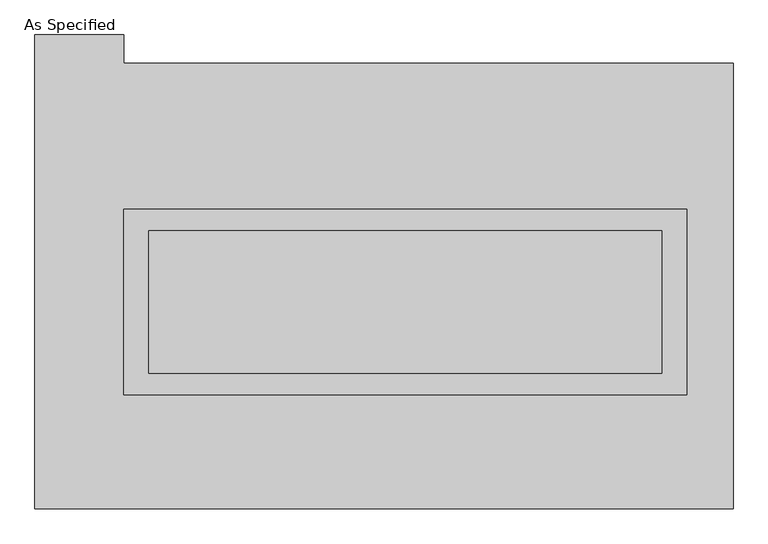
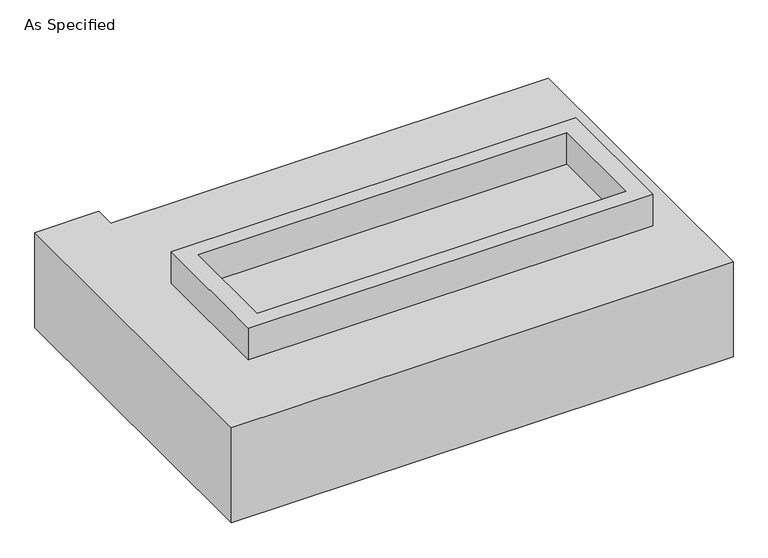
"""IFC4 building model written with IfcOpenShell, lengths in millimetres: proxy geometry, As Specified."""

import ifcopenshell
import ifcopenshell.guid

model = None  # the IFC model being written
_history = None  # IfcOwnerHistory: only IFC2X3 demands one
_inside = {}  # id of a spatial element -> (the spatial element, [elements in it])
_under = {}  # id of a project, library or spatial element -> (it, [spatial elements below it])
_declared = {}  # id of a project -> (the project, [libraries it declares])
_typed = {}  # id of a type object -> (the type object, [elements of that type])
_made_of = {}  # id of a material, layer set ... -> (it, [elements and type objects made of it])


def new_model(schema):
    """Start an empty IFC model of exactly this schema.

    Asked for "IFC4X3", IfcOpenShell would pick the latest addendum, in which some entities
    have other attributes; the version numbers below select the first issue.
    IFC2X3 requires an IfcOwnerHistory on every rooted entity: one is made here for all.
    """
    global model, _history
    if schema == "IFC4X3":
        model = ifcopenshell.file(schema_version=(4, 3, 0, 0))
    else:
        model = ifcopenshell.file(schema=schema)
    _inside.clear()
    _under.clear()
    _declared.clear()
    _typed.clear()
    _made_of.clear()
    _history = None
    if model.schema == "IFC2X3":
        org = make("IfcOrganization", Name="unknown")
        user = make(
            "IfcPersonAndOrganization",
            ThePerson=make("IfcPerson", FamilyName="unknown"),
            TheOrganization=org,
        )
        app = make(
            "IfcApplication",
            ApplicationDeveloper=org,
            Version="unknown",
            ApplicationFullName="unknown",
            ApplicationIdentifier="unknown",
        )
        _history = make(
            "IfcOwnerHistory",
            OwningUser=user,
            OwningApplication=app,
            ChangeAction="ADDED",
            CreationDate=0,
        )
    return model


def make(cls, **values):
    """One entity of the class cls with the attributes given. An attribute that is None is left unset."""
    return model.create_entity(
        cls, **{name: value for name, value in values.items() if value is not None}
    )


def rooted(cls, **values):
    """An entity with a GlobalId (a new one), such as an element, a storey or a relation."""
    return make(cls, GlobalId=ifcopenshell.guid.new(), OwnerHistory=_history, **values)


def si_unit(unit_type, name, prefix=None):
    """IfcSIUnit, for example si_unit("LENGTHUNIT", "METRE", prefix="MILLI")."""
    return make("IfcSIUnit", UnitType=unit_type, Prefix=prefix, Name=name)


def assignment(units):
    """IfcUnitAssignment: the units of a project."""
    return None if units is None else make("IfcUnitAssignment", Units=units)


def point(xyz):
    """IfcCartesianPoint."""
    return None if xyz is None else make("IfcCartesianPoint", Coordinates=xyz)


def direction(xyz):
    """IfcDirection."""
    return None if xyz is None else make("IfcDirection", DirectionRatios=xyz)


def frame(location, z_axis=None, x_axis=None):
    """IfcAxis2Placement3D, a coordinate frame: its origin and axes. An axis left out is left unset."""
    return make(
        "IfcAxis2Placement3D",
        Location=point(location),
        Axis=direction(z_axis),
        RefDirection=direction(x_axis),
    )


def origin():
    """The frame at (0, 0, 0) with its axes left unset."""
    return frame((0.0, 0.0, 0.0))


def place(relative_to, where):
    """IfcLocalPlacement: puts the frame where relative to a parent placement (None: the world)."""
    return make(
        "IfcLocalPlacement", PlacementRelTo=relative_to, RelativePlacement=where
    )


def context(
    kind, dimensions, precision=None, world=None, true_north=None, identifier=None
):
    """IfcGeometricRepresentationContext, for example the 3D "Model" context."""
    return make(
        "IfcGeometricRepresentationContext",
        ContextIdentifier=identifier,
        ContextType=kind,
        CoordinateSpaceDimension=dimensions,
        Precision=precision,
        WorldCoordinateSystem=world,
        TrueNorth=true_north,
    )


def project(units=None, contexts=None):
    """IfcProject with its units and contexts."""
    return rooted(
        "IfcProject",
        Name="project",
        RepresentationContexts=contexts,
        UnitsInContext=assignment(units),
    )


def spatial(cls, under=None, at=None, **own):
    """A site, building, storey or space (cls), placed at a placement, below another one or the project."""
    s = rooted(cls, ObjectPlacement=at, **own)
    if under is not None:
        _under.setdefault(under.id(), (under, []))[1].append(s)
    return s


def polyline(points):
    """IfcPolyline through the points."""
    return make("IfcPolyline", Points=[point(p) for p in points])


def outline(outer, holes=None, kind="AREA"):
    """IfcArbitraryClosedProfileDef: a profile drawn as a closed curve; with holes, ...WithVoids."""
    if holes is None:
        return make("IfcArbitraryClosedProfileDef", ProfileType=kind, OuterCurve=outer)
    return make(
        "IfcArbitraryProfileDefWithVoids",
        ProfileType=kind,
        OuterCurve=outer,
        InnerCurves=holes,
    )


def extrude(swept, where, along, depth):
    """IfcExtrudedAreaSolid: the profile swept, set in the frame where, extruded along a direction by depth."""
    return make(
        "IfcExtrudedAreaSolid",
        SweptArea=swept,
        Position=where,
        ExtrudedDirection=direction(along),
        Depth=depth,
    )


def faces_of(points, faces, orient=None, outer=None):
    """IfcFace entities. A face is a list of loops; a loop is a list of indices into points, from 0.

    orient and outer hold one flag for each loop. By default every Orientation is true, the
    first loop of a face is its IfcFaceOuterBound and the others are IfcFaceBound.
    """
    made = []
    for i, loops in enumerate(faces):
        bounds = []
        for j, loop in enumerate(loops):
            is_outer = j == 0 if outer is None else outer[i][j]
            bounds.append(
                make(
                    "IfcFaceOuterBound" if is_outer else "IfcFaceBound",
                    Bound=make("IfcPolyLoop", Polygon=[points[k] for k in loop]),
                    Orientation=True if orient is None else orient[i][j],
                )
            )
        made.append(make("IfcFace", Bounds=bounds))
    return made


def faceted_brep(points, faces, orient=None, outer=None, voids=None):
    """IfcFacetedBrep: a solid bounded by flat faces; with voids (closed shells), ...WithVoids."""
    shared = [point(p) for p in points]
    hull = make("IfcClosedShell", CfsFaces=faces_of(shared, faces, orient, outer))
    if voids is None:
        return make("IfcFacetedBrep", Outer=hull)
    return make(
        "IfcFacetedBrepWithVoids",
        Outer=hull,
        Voids=[
            make(cls, CfsFaces=faces_of(shared, fs, o, b)) for cls, fs, o, b in voids
        ],
    )


def shape(context_of_items, identifier, shape_type, items):
    """IfcShapeRepresentation: the items that make up one representation, for example the "Body"."""
    return make(
        "IfcShapeRepresentation",
        ContextOfItems=context_of_items,
        RepresentationIdentifier=identifier,
        RepresentationType=shape_type,
        Items=items,
    )


def source(mapping_origin, context_of_items, identifier, shape_type, items):
    """IfcRepresentationMap: a shape defined once, which mapped items show again and again."""
    return make(
        "IfcRepresentationMap",
        MappingOrigin=mapping_origin,
        MappedRepresentation=shape(context_of_items, identifier, shape_type, items),
    )


def transform(
    local_origin,
    x_axis=None,
    y_axis=None,
    z_axis=None,
    scale=None,
    scale2=None,
    scale3=None,
    uniform=True,
):
    """IfcCartesianTransformationOperator3D, or its non-uniform kind. x_axis, y_axis, z_axis: its Axis1, 2, 3."""
    if uniform:
        return make(
            "IfcCartesianTransformationOperator3D",
            Axis1=direction(x_axis),
            Axis2=direction(y_axis),
            LocalOrigin=point(local_origin),
            Scale=scale,
            Axis3=direction(z_axis),
        )
    return make(
        "IfcCartesianTransformationOperator3DnonUniform",
        Axis1=direction(x_axis),
        Axis2=direction(y_axis),
        LocalOrigin=point(local_origin),
        Scale=scale,
        Axis3=direction(z_axis),
        Scale2=scale2,
        Scale3=scale3,
    )


def mapped(mapping_source, mapping_target):
    """IfcMappedItem: shows the shape of a source again, moved by a transform."""
    return make(
        "IfcMappedItem", MappingSource=mapping_source, MappingTarget=mapping_target
    )


def made_of(thing, what):
    """Note that an element or type object is made of a material, layer set ...; save() writes the relation."""
    if what is not None:
        _made_of.setdefault(what.id(), (what, []))[1].append(thing)
    return thing


def element(
    cls,
    number,
    at=None,
    inside=None,
    cuts=None,
    type_object=None,
    material=None,
    context=None,
    identifier="Body",
    shape_type=None,
    held_by="IfcProductDefinitionShape",
    body=None,
    shapes=None,
    **own,
):
    """One element of the class cls, such as IfcWall. Its Tag is "e" and its number.

    at: its placement. inside: the storey or other place that contains it. cuts: it is an
    opening in that element (IfcRelVoidsElement). A single representation is given by context,
    identifier, shape_type and body (its items); several are given by shapes. held_by: the class
    of the entity that holds the representations. save() writes the other relations.
    """
    e = rooted(cls, Tag="e%d" % number, ObjectPlacement=at, **own)
    if body is not None:
        shapes = [shape(context, identifier, shape_type, body)]
    if shapes is not None:
        e.Representation = make(held_by, Representations=shapes)
    if inside is not None:
        _inside.setdefault(inside.id(), (inside, []))[1].append(e)
    if cuts is not None:
        rooted(
            "IfcRelVoidsElement", RelatingBuildingElement=cuts, RelatedOpeningElement=e
        )
    if type_object is not None:
        _typed.setdefault(type_object.id(), (type_object, []))[1].append(e)
    return made_of(e, material)


def aggregate(whole, parts):
    """IfcRelAggregates: a whole, such as a stair, and the parts it consists of."""
    return rooted("IfcRelAggregates", RelatingObject=whole, RelatedObjects=parts)


def save(model, path):
    """Write the relations noted so far, then the file.

    IfcRelAggregates (storeys below a building ...), IfcRelContainedInSpatialStructure (elements
    in a storey), IfcRelDefinesByType, IfcRelAssociatesMaterial and IfcRelDeclares: one each for
    every whole, place, type object, material and project.
    """
    for whole, parts in _under.values():
        aggregate(whole, parts)
    for where, things in _inside.values():
        rooted(
            "IfcRelContainedInSpatialStructure",
            RelatedElements=things,
            RelatingStructure=where,
        )
    for kind, things in _typed.values():
        rooted("IfcRelDefinesByType", RelatedObjects=things, RelatingType=kind)
    for what, things in _made_of.values():
        rooted("IfcRelAssociatesMaterial", RelatedObjects=things, RelatingMaterial=what)
    for by, libraries in _declared.values():
        rooted("IfcRelDeclares", RelatingContext=by, RelatedDefinitions=libraries)
    model.write(path)


def as_specified_dbc2f7c5(model_context):
    return source(origin(), model_context, "Body", "SolidModel", [
        extrude(outline(polyline([(1003.3, 273.05), (1003.3, -387.35), (-1003.3, -387.35), (-1003.3, 273.05), (1003.3, 273.05)]), holes=[polyline([(914.4, 196.85), (-914.4, 196.85), (-914.4, -311.15), (914.4, -311.15), (914.4, 196.85)])]), frame((0.0, 0.0, -25.4), z_axis=(0.0, 0.0, 1.0), x_axis=(1.0, 0.0, 0.0)), (0.0, 0.0, 1.0), 165.1),
        extrude(outline(polyline([(914.4, 196.85), (914.4, -311.15), (-914.4, -311.15), (-914.4, 196.85), (914.4, 196.85)])), frame((0.0, 0.0, -30.3609375), z_axis=(0.0, 0.0, 1.0), x_axis=(1.0, 0.0, 0.0)), (0.0, 0.0, 1.0), 4.9609375),
        faceted_brep([(1168.4, -793.75, -523.875), (-1320.8, -793.75, -523.875), (-1320.8, 895.35, -523.875), (-1003.3, 895.35, -523.875), (-1003.3, 793.75, -523.875), (1168.4, 793.75, -523.875), (-1320.8, -793.75, -25.4), (1168.4, -793.75, -25.4), (1168.4, 793.75, -25.4), (-1003.3, 793.75, -25.4), (-1003.3, 895.35, -25.4), (-1320.8, 895.35, -25.4), (-1003.3, -387.35, -25.4), (-1003.3, 273.05, -25.4), (1003.3, 273.05, -25.4), (1003.3, -387.35, -25.4), (1003.3, 273.05, -498.475), (-1003.3, 273.05, -498.475), (-1003.3, -387.35, -498.475), (1003.3, -387.35, -498.475)], [[[0, 1, 2, 3, 4, 5]], [[6, 7, 8, 9, 10, 11], [12, 13, 14, 15]], [[8, 5, 4, 9]], [[2, 1, 6, 11]], [[5, 8, 7, 0]], [[16, 17, 18, 19]], [[18, 17, 13, 12]], [[17, 16, 14, 13]], [[16, 19, 15, 14]], [[12, 15, 19, 18]], [[1, 0, 7, 6]], [[4, 3, 10, 9]], [[3, 2, 11, 10]]]),
    ])


if __name__ == "__main__":
    model = new_model("IFC4")
    model_context = context("Model", 3, world=origin())
    ifc_project = project(units=[si_unit("LENGTHUNIT", "METRE", prefix="MILLI")], contexts=[model_context])
    site = spatial("IfcSite", under=ifc_project)
    building = spatial("IfcBuilding", under=site)
    placement = place(None, origin())
    as_specified_shape = as_specified_dbc2f7c5(model_context)
    element("IfcBuildingElementProxy", 1, Name="As Specified", ObjectType="As Specified", at=placement, inside=building, context=model_context, shape_type="MappedRepresentation", body=[
        mapped(as_specified_shape, transform((0.0, 0.0, 0.0), x_axis=(1.0, 0.0, 0.0), y_axis=(0.0, 1.0, 0.0), z_axis=(0.0, 0.0, 1.0))),
    ])
    save(model, "model.ifc")
